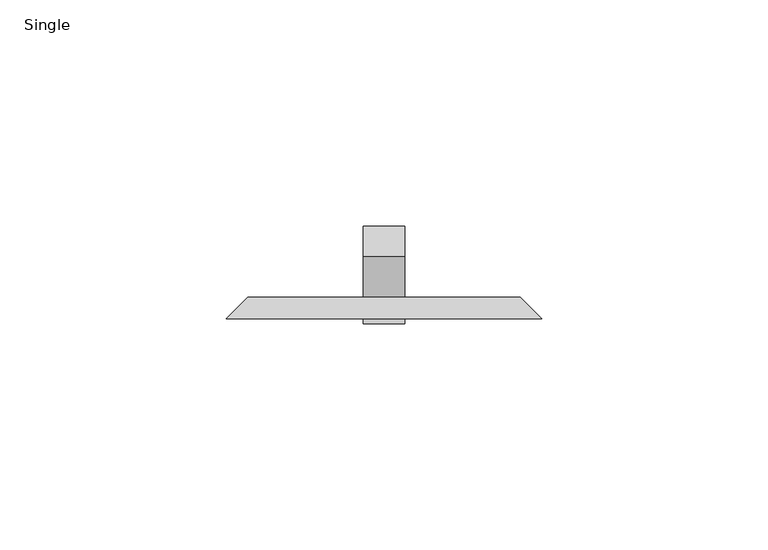
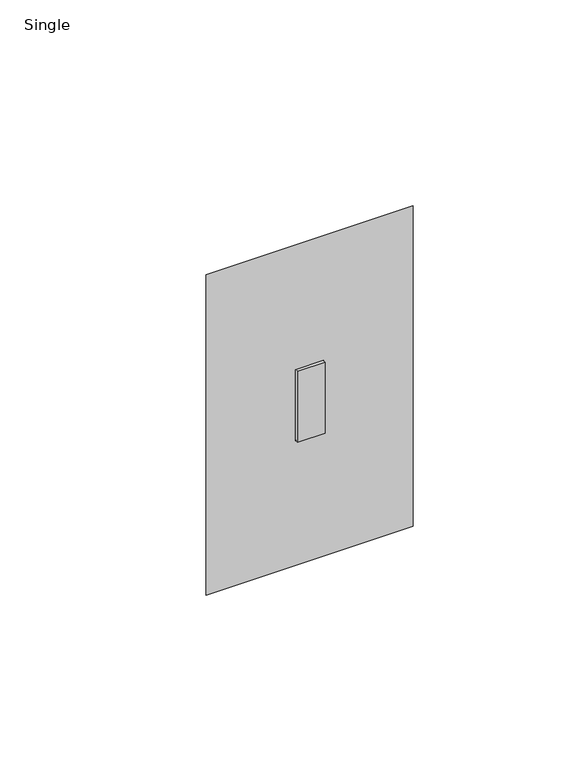
"""IFC4 building model written with IfcOpenShell, lengths in millimetres: proxy geometry, Single."""

from ifc_helpers import new_model, si_unit, frame, origin, place, context, project, spatial, polyline, outline, extrude, faceted_brep, source, transform, mapped, element, save


def single_56169005(model_context):
    return source(origin(), model_context, "Body", "SolidModel", [
        faceted_brep([(-30.1625, 106.3625, 357.1875), (30.1625, 106.3625, 357.1875), (30.1625, 106.3625, 252.4125), (-30.1625, 106.3625, 252.4125), (-4.7625, 106.3625, 317.5), (-4.7625, 106.3625, 292.1), (4.7625, 106.3625, 292.1), (4.7625, 106.3625, 317.5), (-34.925, 101.6, 361.95), (-34.925, 101.6, 247.65), (34.925, 101.6, 247.65), (34.925, 101.6, 361.95), (-4.7625, 101.6, 292.1), (-4.7625, 101.6, 317.5), (4.7625, 101.6, 317.5), (4.7625, 101.6, 292.1)], [[[0, 1, 2, 3], [4, 5, 6, 7]], [[8, 9, 10, 11], [12, 13, 14, 15]], [[1, 0, 8, 11]], [[2, 1, 11, 10]], [[3, 2, 10, 9]], [[0, 3, 9, 8]], [[4, 13, 12, 5]], [[5, 12, 15, 6]], [[6, 15, 14, 7]], [[13, 4, 7, 14]]]),
        extrude(outline(polyline([(115.3427561, 325.4978515), (122.0779482, 318.7626595), (106.3625, 303.0472112), (106.3625, 294.247253), (105.1227829, 292.1), (100.5108809, 292.1), (100.5108809, 317.5), (105.3800954, 317.5), (106.3625, 316.5175954), (115.3427561, 325.4978515)])), frame((-4.6077278, 0.0, 0.0), z_axis=(1.0, 0.0, 0.0), x_axis=(0.0, 1.0, 0.0)), (0.0, 0.0, 1.0), 9.2225805),
    ])


if __name__ == "__main__":
    model = new_model("IFC4")
    model_context = context("Model", 3, world=origin())
    ifc_project = project(units=[si_unit("LENGTHUNIT", "METRE", prefix="MILLI")], contexts=[model_context])
    site = spatial("IfcSite", under=ifc_project)
    building = spatial("IfcBuilding", under=site)
    placement = place(None, origin())
    single_shape = single_56169005(model_context)
    element("IfcBuildingElementProxy", 1, Name="Single", ObjectType="Single", at=placement, inside=building, context=model_context, shape_type="MappedRepresentation", body=[
        mapped(single_shape, transform((0.0, 0.0, 0.0), x_axis=(1.0, 0.0, 0.0), y_axis=(0.0, 1.0, 0.0), z_axis=(0.0, 0.0, 1.0))),
    ])
    save(model, "model.ifc")
